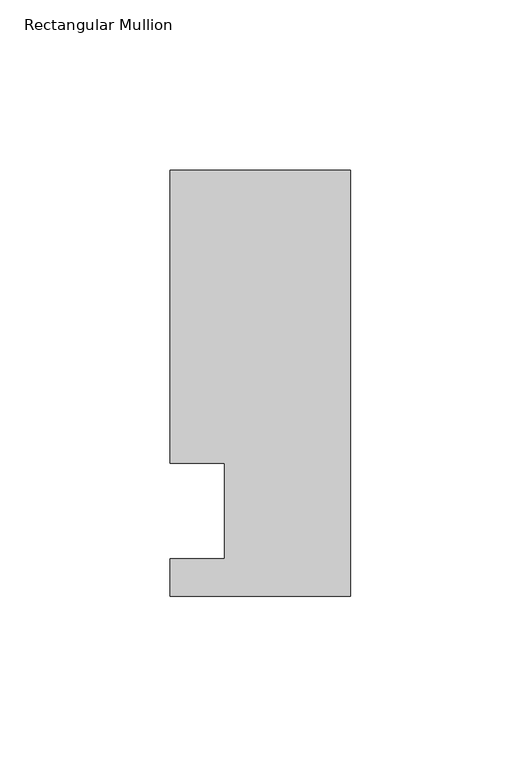
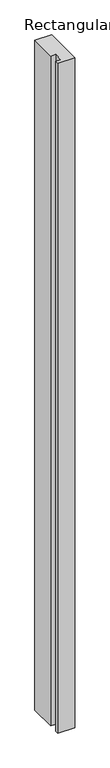
"""IFC4 building model written with IfcOpenShell, lengths in millimetres: member geometry, Rectangular Mullion."""

from ifc_helpers import new_model, si_unit, frame, origin, place, context, project, spatial, polyline, outline, extrude, source, transform, mapped, element, save


def rectangular_mullion_f212f31d(model_context):
    return source(origin(), model_context, "Body", "SweptSolid", [
        extrude(outline(polyline([(0.0, -25.0), (-53.0, -25.0), (-53.0, -14.0), (-37.0, -14.0), (-37.0, 13.9998907), (-53.0, 13.9998907), (-53.0, 100.0), (0.0, 100.0), (0.0, -25.0)])), frame((0.0, 0.0, -2232.0199255), z_axis=(0.0, 0.0, 1.0), x_axis=(1.0, 0.0, 0.0)), (0.0, 0.0, 1.0), 2232.0199255),
    ])


if __name__ == "__main__":
    model = new_model("IFC4")
    model_context = context("Model", 3, world=origin())
    ifc_project = project(units=[si_unit("LENGTHUNIT", "METRE", prefix="MILLI")], contexts=[model_context])
    site = spatial("IfcSite", under=ifc_project)
    building = spatial("IfcBuilding", under=site)
    placement = place(None, origin())
    rectangular_mullion_shape = rectangular_mullion_f212f31d(model_context)
    element("IfcMember", 1, ObjectType="Rectangular Mullion", at=placement, inside=building, context=model_context, shape_type="MappedRepresentation", body=[
        mapped(rectangular_mullion_shape, transform((0.0, 0.0, 0.0), x_axis=(1.0, 0.0, 0.0), y_axis=(0.0, 1.0, 0.0), z_axis=(0.0, 0.0, 1.0))),
    ])
    save(model, "model.ifc")
